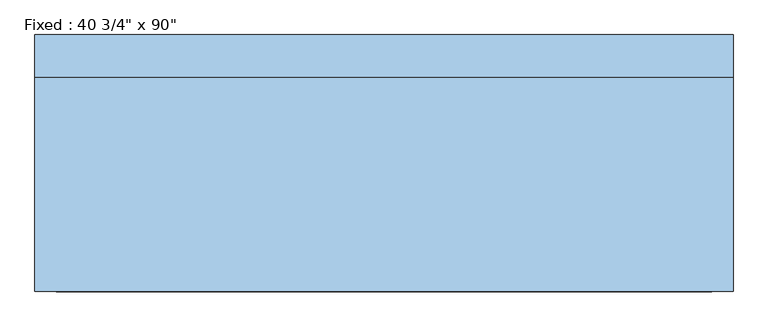
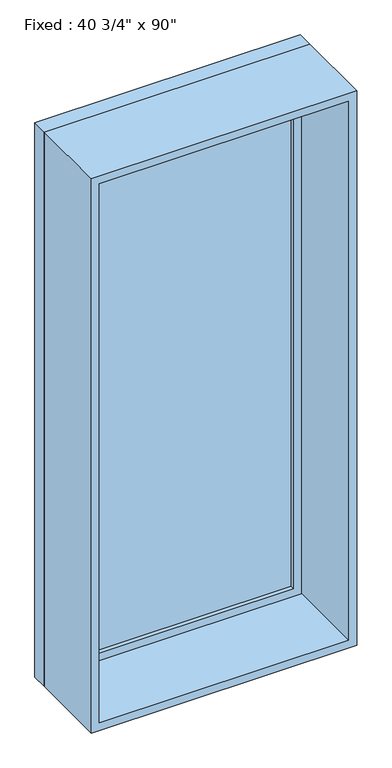
"""IFC4 building model written with IfcOpenShell, lengths in millimetres: window geometry."""

from ifc_helpers import new_model, si_unit, frame, origin, place, context, project, spatial, polyline, outline, extrude, source, transform, mapped, element, save


def window_8bf3f879(model_context):
    return source(origin(), model_context, "Body", "SweptSolid", [
        extrude(outline(polyline([(415.925, 142.875), (-492.125, 142.875), (-492.125, 155.575), (415.925, 155.575), (415.925, 142.875)])), frame((0.0, 0.0, 368.3), z_axis=(0.0, 0.0, 1.0), x_axis=(1.0, 0.0, 0.0)), (0.0, 0.0, 1.0), 2159.0),
        extrude(outline(polyline([(2571.75, -536.575), (323.85, -536.575), (323.85, 460.375), (2571.75, 460.375), (2571.75, -536.575)]), holes=[polyline([(2527.3, -492.125), (2527.3, 415.925), (368.3, 415.925), (368.3, -492.125), (2527.3, -492.125)])]), frame((0.0, 127.0, 0.0), z_axis=(0.0, 1.0, 0.0), x_axis=(0.0, 0.0, 1.0)), (0.0, 0.0, 1.0), 44.45),
        extrude(outline(polyline([(2590.8, -555.625), (304.8, -555.625), (304.8, 479.425), (2590.8, 479.425), (2590.8, -555.625)]), holes=[polyline([(2559.05, -523.875), (2559.05, 447.675), (336.55, 447.675), (336.55, -523.875), (2559.05, -523.875)])]), frame((0.0, -190.5, 0.0), z_axis=(0.0, 1.0, 0.0), x_axis=(0.0, 0.0, 1.0)), (0.0, 0.0, 1.0), 317.5),
        extrude(outline(polyline([(2590.8, 479.425), (2590.8, -555.625), (304.8, -555.625), (304.8, 479.425), (2590.8, 479.425)]), holes=[polyline([(2571.75, 460.375), (323.85, 460.375), (323.85, -536.575), (2571.75, -536.575), (2571.75, 460.375)])]), frame((0.0, 127.0, 0.0), z_axis=(0.0, 1.0, 0.0), x_axis=(0.0, 0.0, 1.0)), (0.0, 0.0, 1.0), 63.5),
    ])


if __name__ == "__main__":
    model = new_model("IFC4")
    model_context = context("Model", 3, world=origin())
    ifc_project = project(units=[si_unit("LENGTHUNIT", "METRE", prefix="MILLI")], contexts=[model_context])
    site = spatial("IfcSite", under=ifc_project)
    building = spatial("IfcBuilding", under=site)
    placement = place(None, origin())
    window_shape = window_8bf3f879(model_context)
    element("IfcWindow", 1, ObjectType="Fixed : 40 3/4\" x 90\"", at=placement, inside=building, context=model_context, shape_type="MappedRepresentation", body=[
        mapped(window_shape, transform((0.0, 0.0, 0.0), x_axis=(1.0, 0.0, 0.0), y_axis=(0.0, 1.0, 0.0), z_axis=(0.0, 0.0, 1.0))),
    ])
    save(model, "model.ifc")
